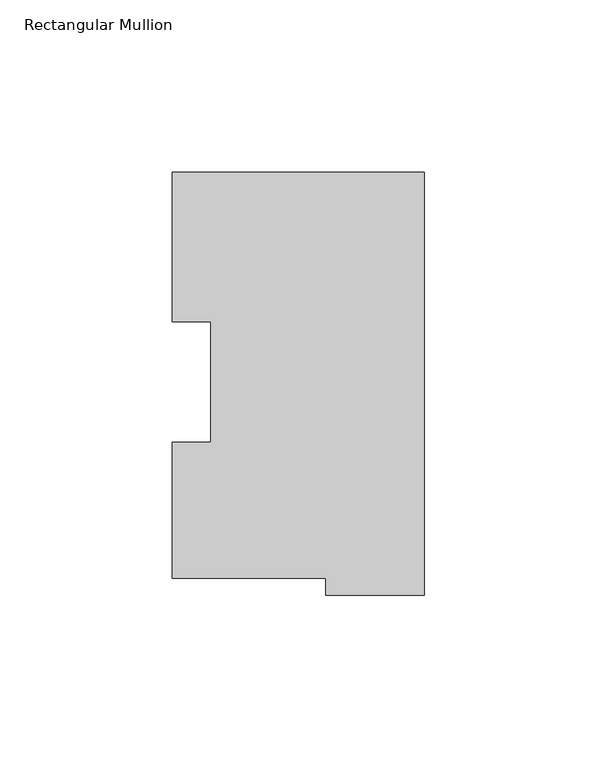
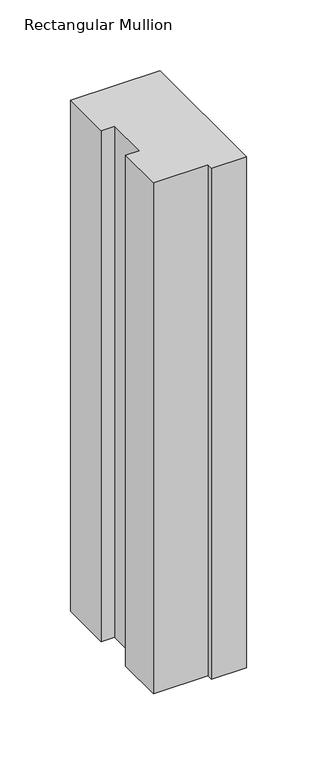
"""IFC4 building model written with IfcOpenShell, lengths in millimetres: member geometry, Rectangular Mullion."""

from ifc_helpers import new_model, si_unit, frame, origin, place, context, project, spatial, polyline, outline, extrude, source, transform, mapped, element, save


def rectangular_mullion_de318bf3(model_context):
    return source(origin(), model_context, "Body", "SweptSolid", [
        extrude(outline(polyline([(-73.025, 117.827425), (0.0, 117.827425), (0.0, -4.778375), (-28.575, -4.778375), (-28.575, 0.225425), (-73.025, 0.225425), (-73.025, 39.646225), (-61.9252, 39.646225), (-61.9252, 74.596625), (-73.025, 74.596625), (-73.025, 117.827425)])), frame((0.0, 0.0, -441.325), z_axis=(0.0, 0.0, 1.0), x_axis=(1.0, 0.0, 0.0)), (0.0, 0.0, 1.0), 441.325),
    ])


if __name__ == "__main__":
    model = new_model("IFC4")
    model_context = context("Model", 3, world=origin())
    ifc_project = project(units=[si_unit("LENGTHUNIT", "METRE", prefix="MILLI")], contexts=[model_context])
    site = spatial("IfcSite", under=ifc_project)
    building = spatial("IfcBuilding", under=site)
    placement = place(None, origin())
    rectangular_mullion_shape = rectangular_mullion_de318bf3(model_context)
    element("IfcMember", 1, ObjectType="Rectangular Mullion", at=placement, inside=building, context=model_context, shape_type="MappedRepresentation", body=[
        mapped(rectangular_mullion_shape, transform((0.0, 0.0, 0.0), x_axis=(1.0, 0.0, 0.0), y_axis=(0.0, 1.0, 0.0), z_axis=(0.0, 0.0, 1.0))),
    ])
    save(model, "model.ifc")
